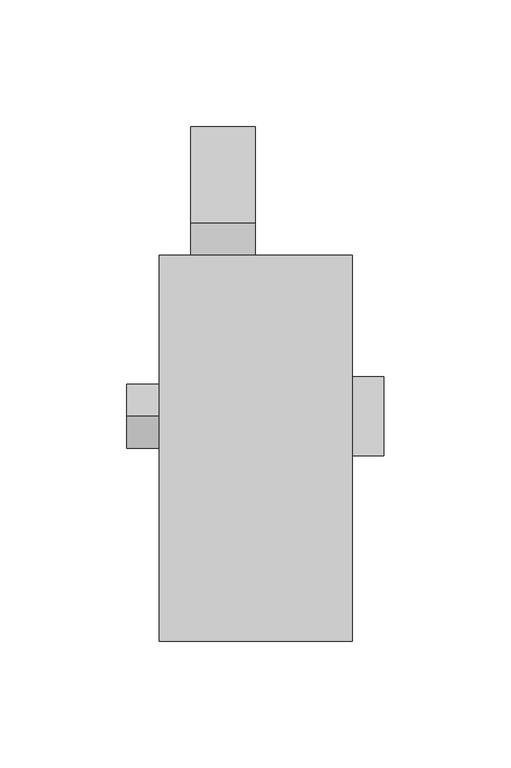
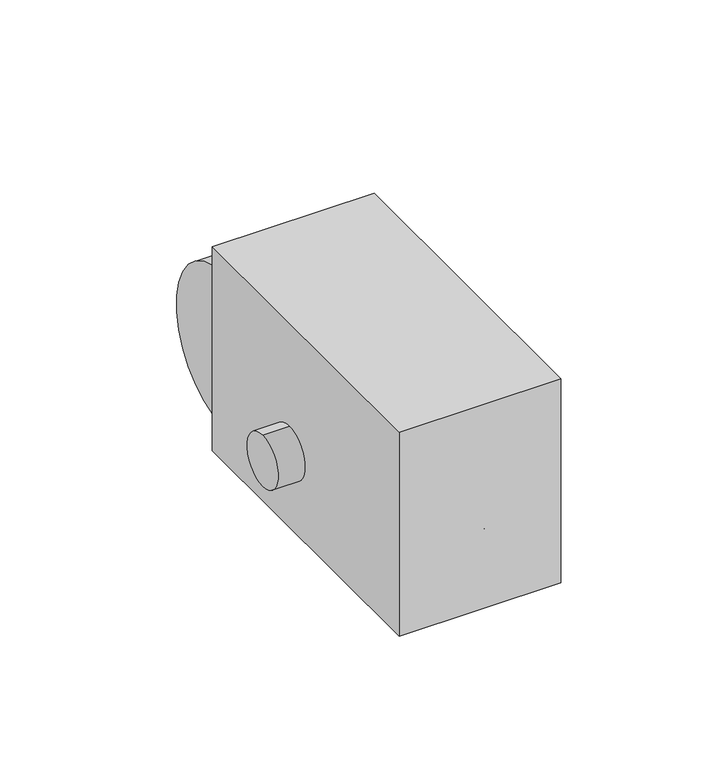
"""IFC4 building model written with IfcOpenShell, lengths in millimetres: proxy geometry."""

from ifc_helpers import new_model, si_unit, point, frame, frame_2d, origin, origin_with_axes, place, context, project, spatial, polyline, circle_curve, trimmed, segment, composite_curve, outline, extrude, source, transform, mapped, element, save
from ifc_brep_helpers import plane_surface, cylinder_surface, revolved_surface, advanced_brep


def specialty_equipment_494a7e5c(model_context):
    return source(origin(), model_context, "Body", "SolidModel", [
        extrude(outline(polyline([(38.1, 152.4), (38.1, 0.0), (-38.1, 0.0), (-38.1, 152.4), (38.1, 152.4)])), origin_with_axes(), (0.0, 0.0, 1.0), 101.6),
        advanced_brep(
        [(-0.2368425, 76.2, 53.3223414), (-0.2368425, 76.2, 22.8776586), (-0.2368425, 76.2, 38.1), (-0.2368425, 31.8738169, 53.3223414), (-0.2368425, 31.8738169, 22.8776586), (-0.2368425, 31.8738169, 43.8248613), (-0.2368425, 31.8738169, 32.3751387), (-0.2368425, 9.172523, 43.8248613), (-0.2368425, 9.172523, 32.3751387), (-0.2368425, 9.172523, 40.8134652), (-0.2368425, 9.172523, 35.3865348), (-0.2368425, 0.0, 40.8134652), (-0.2368425, 0.0, 35.3865348), (-0.2368425, 0.0, 38.1)],
        [
            (0, 1, circle_curve(frame((-0.2368425, 76.2, 38.1), z_axis=(0.0, 1.0, 0.0), x_axis=(0.0, 0.0, -1.0)), 15.2223414)),
            (1, 2),
            (2, 0),
            (1, 0, circle_curve(frame((-0.2368425, 76.2, 38.1), z_axis=(0.0, 1.0, 0.0), x_axis=(0.0, 0.0, -1.0)), 15.2223414)),
            (3, 4, circle_curve(frame((-0.2368425, 31.8738169, 38.1), z_axis=(0.0, 1.0, 0.0), x_axis=(0.0, 0.0, -1.0)), 15.2223414)),
            (4, 1),
            (0, 3),
            (4, 3, circle_curve(frame((-0.2368425, 31.8738169, 38.1), z_axis=(0.0, 1.0, 0.0), x_axis=(0.0, 0.0, -1.0)), 15.2223414)),
            (5, 6, circle_curve(frame((-0.2368425, 31.8738169, 38.1), z_axis=(0.0, 1.0, 0.0), x_axis=(0.0, 0.0, -1.0)), 5.7248613)),
            (6, 4),
            (3, 5),
            (6, 5, circle_curve(frame((-0.2368425, 31.8738169, 38.1), z_axis=(0.0, 1.0, 0.0), x_axis=(0.0, 0.0, -1.0)), 5.7248613)),
            (7, 8, circle_curve(frame((-0.2368425, 9.172523, 38.1), z_axis=(0.0, 1.0, 0.0), x_axis=(0.0, 0.0, -1.0)), 5.7248613)),
            (8, 6),
            (5, 7),
            (8, 7, circle_curve(frame((-0.2368425, 9.172523, 38.1), z_axis=(0.0, 1.0, 0.0), x_axis=(0.0, 0.0, -1.0)), 5.7248613)),
            (9, 10, circle_curve(frame((-0.2368425, 9.172523, 38.1), z_axis=(0.0, 1.0, 0.0), x_axis=(0.0, 0.0, -1.0)), 2.7134652)),
            (10, 8),
            (7, 9),
            (10, 9, circle_curve(frame((-0.2368425, 9.172523, 38.1), z_axis=(0.0, 1.0, 0.0), x_axis=(0.0, 0.0, -1.0)), 2.7134652)),
            (11, 12, circle_curve(frame((-0.2368425, 0.0, 38.1), z_axis=(0.0, 1.0, 0.0), x_axis=(0.0, 0.0, -1.0)), 2.7134652)),
            (12, 10),
            (9, 11),
            (12, 11, circle_curve(frame((-0.2368425, 0.0, 38.1), z_axis=(0.0, 1.0, 0.0), x_axis=(0.0, 0.0, -1.0)), 2.7134652)),
            (13, 12),
            (11, 13),
        ],
        [
            plane_surface(frame((-0.2368425, 76.2, 38.1), z_axis=(0.0, 1.0, 0.0), x_axis=(0.0, 0.0, -1.0))),
            cylinder_surface(frame((-0.2368425, 1297.7300755, 38.1), z_axis=(0.0, -1.0, 0.0), x_axis=(0.0, 0.0, -1.0)), 15.2223414),
            plane_surface(frame((-0.2368425, 31.8738169, 38.1), z_axis=(0.0, -1.0, 0.0), x_axis=(0.0, 0.0, -1.0))),
            cylinder_surface(frame((-0.2368425, 1297.7300755, 38.1), z_axis=(0.0, -1.0, 0.0), x_axis=(0.0, 0.0, -1.0)), 5.7248613),
            plane_surface(frame((-0.2368425, 9.172523, 38.1), z_axis=(0.0, -1.0, 0.0), x_axis=(0.0, 0.0, -1.0))),
            cylinder_surface(frame((-0.2368425, 1297.7300755, 38.1), z_axis=(0.0, -1.0, 0.0), x_axis=(0.0, 0.0, -1.0)), 2.7134652),
            plane_surface(frame((-0.2368425, 0.0, 38.1), z_axis=(0.0, -1.0, 0.0), x_axis=(0.0, 0.0, -1.0))),
        ],
        [
            (0, [[1, 2, 3]]),
            (0, [[4, -3, -2]]),
            (1, [[5, 6, -1, 7]]),
            (1, [[8, -7, -4, -6]]),
            (2, [[9, 10, -5, 11]]),
            (2, [[12, -11, -8, -10]]),
            (3, [[13, 14, -9, 15]]),
            (3, [[16, -15, -12, -14]]),
            (4, [[17, 18, -13, 19]]),
            (4, [[20, -19, -16, -18]]),
            (5, [[21, 22, -17, 23]]),
            (5, [[24, -23, -20, -22]]),
            (6, [[25, -21, 26]]),
            (6, [[-26, -24, -25]]),
        ],
    ),
        advanced_brep(
        [(50.5631575, 104.5493597, 38.1), (50.5631575, 73.2506403, 38.1), (22.2137978, 73.2506403, 38.1), (22.2137978, 104.5493597, 38.1), (50.5631575, 88.9, 38.1), (-0.2368425, 127.0, 38.1), (-0.2368425, 50.8, 38.1), (-0.2368425, 88.9, 38.1)],
        [
            (0, 1, circle_curve(frame((50.5631575, 88.9, 38.1), z_axis=(-1.0, 0.0, 0.0), x_axis=(0.0, -1.0, 0.0)), 15.6493597)),
            (1, 2),
            (2, 3, circle_curve(frame((22.2137978, 88.9, 38.1), z_axis=(1.0, 0.0, 0.0), x_axis=(0.0, -1.0, 0.0)), 15.6493597)),
            (3, 0),
            (1, 0, circle_curve(frame((50.5631575, 88.9, 38.1), z_axis=(-1.0, 0.0, 0.0), x_axis=(0.0, -1.0, 0.0)), 15.6493597)),
            (3, 2, circle_curve(frame((22.2137978, 88.9, 38.1), z_axis=(1.0, 0.0, 0.0), x_axis=(0.0, -1.0, 0.0)), 15.6493597)),
            (4, 1),
            (0, 4),
            (5, 6, circle_curve(frame((-0.2368425, 88.9, 38.1), z_axis=(-1.0, 0.0, 0.0), x_axis=(0.0, -1.0, 0.0)), 38.1)),
            (6, 7),
            (7, 5),
            (6, 5, circle_curve(frame((-0.2368425, 88.9, 38.1), z_axis=(-1.0, 0.0, 0.0), x_axis=(0.0, -1.0, 0.0)), 38.1)),
            (2, 6),
            (5, 3),
        ],
        [
            cylinder_surface(frame((-51.0368425, 88.9, 38.1), z_axis=(1.0, 0.0, 0.0), x_axis=(0.0, -1.0, 0.0)), 15.6493597),
            plane_surface(frame((50.5631575, 88.9, 38.1), z_axis=(1.0, 0.0, 0.0), x_axis=(0.0, -1.0, 0.0))),
            plane_surface(frame((-0.2368425, 88.9, 38.1), z_axis=(-1.0, 0.0, 0.0), x_axis=(0.0, -1.0, 0.0))),
            revolved_surface(polyline([(-0.2368425, 50.8, 38.1), (22.2137978, 73.2506403, 38.1)]), (-51.0368425, 88.9, 38.1), (1.0, 0.0, 0.0)),
        ],
        [
            (0, [[1, 2, 3, 4]]),
            (0, [[5, -4, 6, -2]]),
            (1, [[7, -1, 8]]),
            (1, [[-8, -5, -7]]),
            (2, [[9, 10, 11]]),
            (2, [[12, -11, -10]]),
            (3, [[-3, 13, -9, 14]]),
            (3, [[-6, -14, -12, -13]]),
        ],
    ),
        extrude(outline(composite_curve([segment(trimmed(circle_curve(frame_2d((88.9, 38.1)), 12.7), [point((88.9, 25.4))], [point((88.9, 50.8))], False, "CARTESIAN"), True, "CONTINUOUS"), segment(trimmed(circle_curve(frame_2d((88.9, 38.1)), 12.7), [point((88.9, 50.8))], [point((88.9, 25.4))], False, "CARTESIAN"), True, "CONTINUOUS")], self_intersect=False)), frame((-51.0368425, 0.0, 0.0), z_axis=(1.0, 0.0, 0.0), x_axis=(0.0, 1.0, 0.0)), (0.0, 0.0, 1.0), 50.8),
        extrude(outline(composite_curve([segment(trimmed(circle_curve(frame_2d((69.85, 19.05)), 19.05), [point((69.85, 0.0))], [point((50.8, 19.05))], False, "CARTESIAN"), True, "CONTINUOUS"), segment(polyline([(50.8, 19.05), (50.8, 57.15)]), True, "CONTINUOUS"), segment(trimmed(circle_curve(frame_2d((69.85, 57.15)), 19.05), [point((50.8, 57.15))], [point((69.85, 76.2))], False, "CARTESIAN"), True, "CONTINUOUS"), segment(polyline([(69.85, 76.2), (107.95, 76.2)]), True, "CONTINUOUS"), segment(trimmed(circle_curve(frame_2d((107.95, 57.15)), 19.05), [point((107.95, 76.2))], [point((127.0, 57.15))], False, "CARTESIAN"), True, "CONTINUOUS"), segment(polyline([(127.0, 57.15), (127.0, 19.05)]), True, "CONTINUOUS"), segment(trimmed(circle_curve(frame_2d((107.95, 19.05)), 19.05), [point((127.0, 19.05))], [point((107.95, 0.0))], False, "CARTESIAN"), True, "CONTINUOUS"), segment(polyline([(107.95, 0.0), (69.85, 0.0)]), True, "CONTINUOUS")], self_intersect=False)), frame((-25.6368425, 0.0, 0.0), z_axis=(1.0, 0.0, 0.0), x_axis=(0.0, 1.0, 0.0)), (0.0, 0.0, 1.0), 25.4),
        extrude(outline(composite_curve([segment(trimmed(circle_curve(frame_2d((165.1, 38.1)), 38.1), [point((165.1, 0.0))], [point((165.1, 76.2))], False, "CARTESIAN"), True, "CONTINUOUS"), segment(trimmed(circle_curve(frame_2d((165.1, 38.1)), 38.1), [point((165.1, 76.2))], [point((165.1, 0.0))], False, "CARTESIAN"), True, "CONTINUOUS")], self_intersect=False)), frame((-25.6368425, 0.0, 0.0), z_axis=(1.0, 0.0, 0.0), x_axis=(0.0, 1.0, 0.0)), (0.0, 0.0, 1.0), 25.4),
    ])


if __name__ == "__main__":
    model = new_model("IFC4")
    model_context = context("Model", 3, world=origin())
    ifc_project = project(units=[si_unit("LENGTHUNIT", "METRE", prefix="MILLI")], contexts=[model_context])
    site = spatial("IfcSite", under=ifc_project)
    building = spatial("IfcBuilding", under=site)
    placement = place(None, origin())
    specialty_equipment_shape = specialty_equipment_494a7e5c(model_context)
    element("IfcBuildingElementProxy", 1, Name="Specialty Equipment", at=placement, inside=building, context=model_context, shape_type="MappedRepresentation", body=[
        mapped(specialty_equipment_shape, transform((0.0, 0.0, 0.0), x_axis=(1.0, 0.0, 0.0), y_axis=(0.0, 1.0, 0.0), z_axis=(0.0, 0.0, 1.0))),
    ])
    save(model, "model.ifc")
